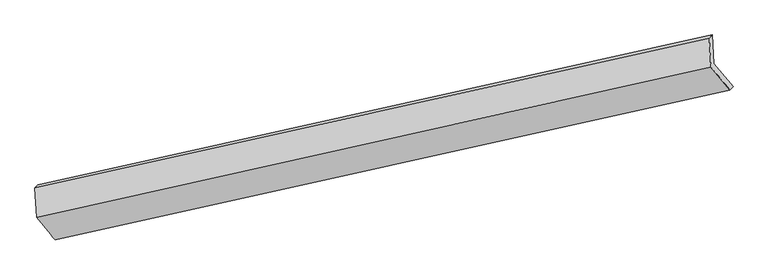
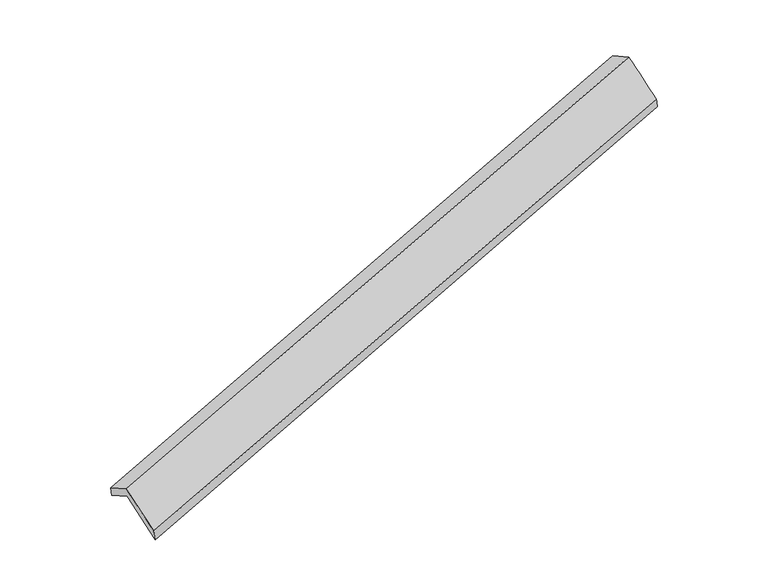
"""IFC4 building model written with IfcOpenShell, lengths in millimetres: proxy geometry."""

from ifc_helpers import new_model, si_unit, frame, origin, place, context, project, spatial, source, transform, mapped, element, save
from ifc_brep_helpers import plane_surface, spline_surface, advanced_brep


def generic_models_942b1729(model_context):
    return source(origin(), model_context, "Body", "AdvancedBrep", [
        advanced_brep(
        [(-7508.2943872, -2530.5706062, 706.3456312), (-7531.1671292, -2137.3037887, 495.8943534), (1646.8125481, -93.7693644, 3320.8801671), (1669.6852901, -487.0361819, 3531.3314449), (-7571.7764509, -2181.6520233, 661.1746315), (1605.5649407, -138.2598221, 3485.9640466), (-7548.6881029, -2578.6259031, 873.6096922), (1628.6532887, -535.2337019, 3698.3991074), (-7293.8886395, -2889.8284041, 264.3780405), (1886.95094, -845.6567347, 3090.2438372), (-7246.1772347, -2850.7106583, 79.6172084), (1930.0937747, -799.9960216, 2918.2062713)],
        [
            (0, 1),
            (1, 2),
            (2, 3),
            (3, 0),
            (1, 4),
            (4, 5),
            (5, 2),
            (4, 6),
            (6, 7),
            (7, 5),
            (6, 8),
            (8, 9),
            (9, 7),
            (8, 10),
            (10, 11),
            (11, 9),
            (10, 0),
            (3, 11),
        ],
        [
            plane_surface(frame((-7519.7307582, -2333.9371975, 601.1199923), z_axis=(0.35144095003371645, -0.42575595880837525, -0.8337992097493019), x_axis=(-0.051212690853473006, 0.8805350896831937, -0.47120612913263))),
            spline_surface(1, 1, [[(-7531.1671292, -2137.3037887, 495.8943534), (1646.8125481, -93.7693644, 3320.8801671)], [(-7571.7764509, -2181.6520233, 661.1746315), (1605.5649407, -138.2598221, 3485.9640466)]], [2, 2], [2, 2], [0.0, 1.0], [0.0, 1.0]),
            plane_surface(frame((-7560.2322769, -2380.1389632, 767.3921619), z_axis=(-0.35144095102733525, 0.42575595858696824, 0.8337992094435532), x_axis=(0.05121269085347315, -0.8805350896831937, 0.47120612913263))),
            spline_surface(1, 1, [[(-7548.6881029, -2578.6259031, 873.6096922), (1628.6532887, -535.2337019, 3698.3991074)], [(-7293.8886395, -2889.8284041, 264.3780405), (1886.95094, -845.6567347, 3090.2438372)]], [2, 2], [2, 2], [0.0, 1.0], [0.0, 1.0]),
            spline_surface(1, 1, [[(-7293.8886395, -2889.8284041, 264.3780405), (1886.95094, -845.6567347, 3090.2438372)], [(-7246.1772347, -2850.7106583, 79.6172084), (1930.0937747, -799.9960216, 2918.2062713)]], [2, 2], [2, 2], [0.0, 1.0], [0.0, 1.0]),
            spline_surface(1, 1, [[(-7246.1772347, -2850.7106583, 79.6172084), (1930.0937747, -799.9960216, 2918.2062713)], [(-7508.2943872, -2530.5706062, 706.3456312), (1669.6852901, -487.0361819, 3531.3314449)]], [2, 2], [2, 2], [0.0, 1.0], [0.0, 1.0]),
            plane_surface(frame((1727.9601304, -483.3253044, 3340.8374791), z_axis=(0.9339098664928381, 0.20938626868540938, 0.28977534704203345), x_axis=(0.2355628994057882, 0.24931069170987352, -0.9393371596092017))),
            plane_surface(frame((-7449.9986574, -2528.1152306, 513.5032596), z_axis=(-0.9357112928341187, -0.2072038112534691, -0.2855012382893267), x_axis=(0.3490295643040292, -0.42629160962723867, -0.8345380918826639))),
        ],
        [
            (0, [[1, 2, 3, 4]]),
            (1, [[5, 6, 7, -2]]),
            (2, [[8, 9, 10, -6]]),
            (3, [[11, 12, 13, -9]]),
            (4, [[14, 15, 16, -12]]),
            (5, [[17, -4, 18, -15]]),
            (6, [[-16, -18, -3, -7, -10, -13]]),
            (7, [[-17, -14, -11, -8, -5, -1]]),
        ],
    ),
    ])


if __name__ == "__main__":
    model = new_model("IFC4")
    model_context = context("Model", 3, world=origin())
    ifc_project = project(units=[si_unit("LENGTHUNIT", "METRE", prefix="MILLI")], contexts=[model_context])
    site = spatial("IfcSite", under=ifc_project)
    building = spatial("IfcBuilding", under=site)
    placement = place(None, origin())
    generic_models_shape = generic_models_942b1729(model_context)
    element("IfcBuildingElementProxy", 1, Name="Generic Models", at=placement, inside=building, context=model_context, shape_type="MappedRepresentation", body=[
        mapped(generic_models_shape, transform((0.0, 0.0, 0.0), x_axis=(1.0, 0.0, 0.0), y_axis=(0.0, 1.0, 0.0), z_axis=(0.0, 0.0, 1.0))),
    ])
    save(model, "model.ifc")
